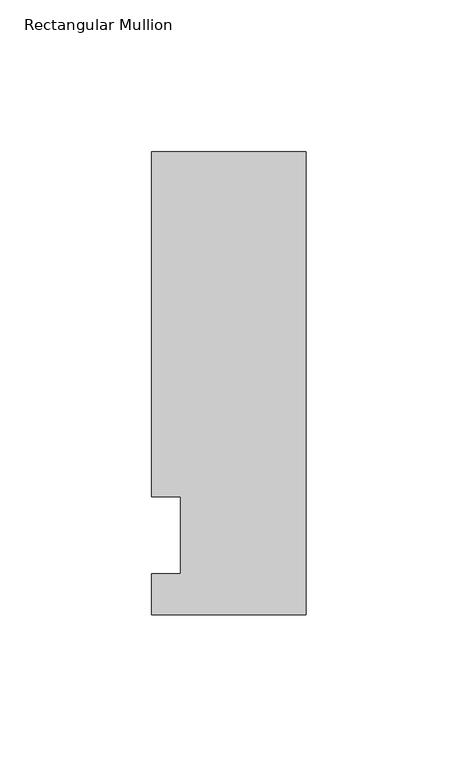
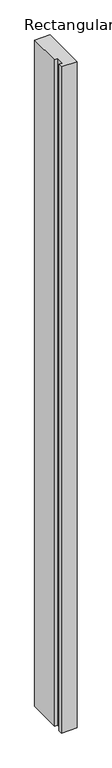
"""IFC4 building model written with IfcOpenShell, lengths in millimetres: member geometry, Rectangular Mullion."""

from ifc_helpers import new_model, si_unit, frame, origin, place, context, project, spatial, polyline, outline, extrude, source, transform, mapped, element, save


def rectangular_mullion_b8217b9f(model_context):
    return source(origin(), model_context, "Body", "SweptSolid", [
        extrude(outline(polyline([(0.0, -26.19375), (-50.8, -26.19375), (-50.8, -12.7), (-41.275, -12.7), (-41.275, 12.7), (-50.8, 12.7), (-50.8, 126.20625), (0.0, 126.20625), (0.0, -26.19375)])), frame((0.0, 0.0, -2311.4), z_axis=(0.0, 0.0, 1.0), x_axis=(1.0, 0.0, 0.0)), (0.0, 0.0, 1.0), 2311.4),
    ])


if __name__ == "__main__":
    model = new_model("IFC4")
    model_context = context("Model", 3, world=origin())
    ifc_project = project(units=[si_unit("LENGTHUNIT", "METRE", prefix="MILLI")], contexts=[model_context])
    site = spatial("IfcSite", under=ifc_project)
    building = spatial("IfcBuilding", under=site)
    placement = place(None, origin())
    rectangular_mullion_shape = rectangular_mullion_b8217b9f(model_context)
    element("IfcMember", 1, ObjectType="Rectangular Mullion", at=placement, inside=building, context=model_context, shape_type="MappedRepresentation", body=[
        mapped(rectangular_mullion_shape, transform((0.0, 0.0, 0.0), x_axis=(1.0, 0.0, 0.0), y_axis=(0.0, 1.0, 0.0), z_axis=(0.0, 0.0, 1.0))),
    ])
    save(model, "model.ifc")
